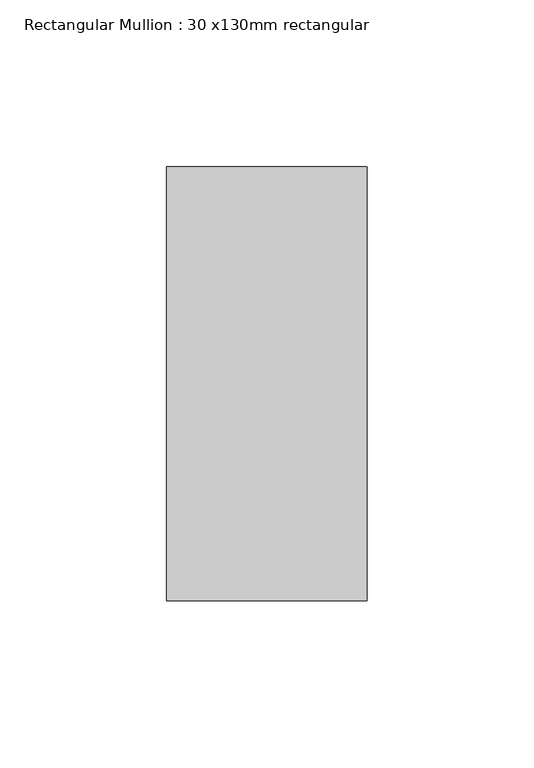
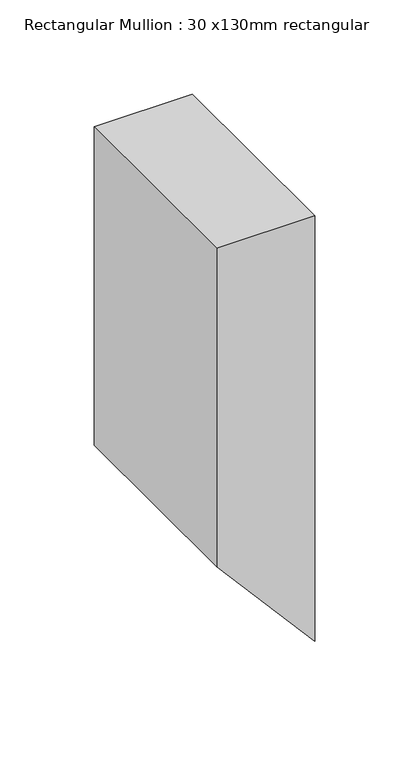
"""IFC4 building model written with IfcOpenShell, lengths in millimetres: member geometry, Rectangular Mullion : 30 x130mm rectangular."""

import ifcopenshell
import ifcopenshell.guid

model = None  # the IFC model being written
_history = None  # IfcOwnerHistory: only IFC2X3 demands one
_inside = {}  # id of a spatial element -> (the spatial element, [elements in it])
_under = {}  # id of a project, library or spatial element -> (it, [spatial elements below it])
_declared = {}  # id of a project -> (the project, [libraries it declares])
_typed = {}  # id of a type object -> (the type object, [elements of that type])
_made_of = {}  # id of a material, layer set ... -> (it, [elements and type objects made of it])


def new_model(schema):
    """Start an empty IFC model of exactly this schema.

    Asked for "IFC4X3", IfcOpenShell would pick the latest addendum, in which some entities
    have other attributes; the version numbers below select the first issue.
    IFC2X3 requires an IfcOwnerHistory on every rooted entity: one is made here for all.
    """
    global model, _history
    if schema == "IFC4X3":
        model = ifcopenshell.file(schema_version=(4, 3, 0, 0))
    else:
        model = ifcopenshell.file(schema=schema)
    _inside.clear()
    _under.clear()
    _declared.clear()
    _typed.clear()
    _made_of.clear()
    _history = None
    if model.schema == "IFC2X3":
        org = make("IfcOrganization", Name="unknown")
        user = make(
            "IfcPersonAndOrganization",
            ThePerson=make("IfcPerson", FamilyName="unknown"),
            TheOrganization=org,
        )
        app = make(
            "IfcApplication",
            ApplicationDeveloper=org,
            Version="unknown",
            ApplicationFullName="unknown",
            ApplicationIdentifier="unknown",
        )
        _history = make(
            "IfcOwnerHistory",
            OwningUser=user,
            OwningApplication=app,
            ChangeAction="ADDED",
            CreationDate=0,
        )
    return model


def make(cls, **values):
    """One entity of the class cls with the attributes given. An attribute that is None is left unset."""
    return model.create_entity(
        cls, **{name: value for name, value in values.items() if value is not None}
    )


def rooted(cls, **values):
    """An entity with a GlobalId (a new one), such as an element, a storey or a relation."""
    return make(cls, GlobalId=ifcopenshell.guid.new(), OwnerHistory=_history, **values)


def si_unit(unit_type, name, prefix=None):
    """IfcSIUnit, for example si_unit("LENGTHUNIT", "METRE", prefix="MILLI")."""
    return make("IfcSIUnit", UnitType=unit_type, Prefix=prefix, Name=name)


def assignment(units):
    """IfcUnitAssignment: the units of a project."""
    return None if units is None else make("IfcUnitAssignment", Units=units)


def point(xyz):
    """IfcCartesianPoint."""
    return None if xyz is None else make("IfcCartesianPoint", Coordinates=xyz)


def direction(xyz):
    """IfcDirection."""
    return None if xyz is None else make("IfcDirection", DirectionRatios=xyz)


def frame(location, z_axis=None, x_axis=None):
    """IfcAxis2Placement3D, a coordinate frame: its origin and axes. An axis left out is left unset."""
    return make(
        "IfcAxis2Placement3D",
        Location=point(location),
        Axis=direction(z_axis),
        RefDirection=direction(x_axis),
    )


def origin():
    """The frame at (0, 0, 0) with its axes left unset."""
    return frame((0.0, 0.0, 0.0))


def place(relative_to, where):
    """IfcLocalPlacement: puts the frame where relative to a parent placement (None: the world)."""
    return make(
        "IfcLocalPlacement", PlacementRelTo=relative_to, RelativePlacement=where
    )


def context(
    kind, dimensions, precision=None, world=None, true_north=None, identifier=None
):
    """IfcGeometricRepresentationContext, for example the 3D "Model" context."""
    return make(
        "IfcGeometricRepresentationContext",
        ContextIdentifier=identifier,
        ContextType=kind,
        CoordinateSpaceDimension=dimensions,
        Precision=precision,
        WorldCoordinateSystem=world,
        TrueNorth=true_north,
    )


def project(units=None, contexts=None):
    """IfcProject with its units and contexts."""
    return rooted(
        "IfcProject",
        Name="project",
        RepresentationContexts=contexts,
        UnitsInContext=assignment(units),
    )


def spatial(cls, under=None, at=None, **own):
    """A site, building, storey or space (cls), placed at a placement, below another one or the project."""
    s = rooted(cls, ObjectPlacement=at, **own)
    if under is not None:
        _under.setdefault(under.id(), (under, []))[1].append(s)
    return s


def polyline(points):
    """IfcPolyline through the points."""
    return make("IfcPolyline", Points=[point(p) for p in points])


def outline(outer, holes=None, kind="AREA"):
    """IfcArbitraryClosedProfileDef: a profile drawn as a closed curve; with holes, ...WithVoids."""
    if holes is None:
        return make("IfcArbitraryClosedProfileDef", ProfileType=kind, OuterCurve=outer)
    return make(
        "IfcArbitraryProfileDefWithVoids",
        ProfileType=kind,
        OuterCurve=outer,
        InnerCurves=holes,
    )


def extrude(swept, where, along, depth):
    """IfcExtrudedAreaSolid: the profile swept, set in the frame where, extruded along a direction by depth."""
    return make(
        "IfcExtrudedAreaSolid",
        SweptArea=swept,
        Position=where,
        ExtrudedDirection=direction(along),
        Depth=depth,
    )


def shape(context_of_items, identifier, shape_type, items):
    """IfcShapeRepresentation: the items that make up one representation, for example the "Body"."""
    return make(
        "IfcShapeRepresentation",
        ContextOfItems=context_of_items,
        RepresentationIdentifier=identifier,
        RepresentationType=shape_type,
        Items=items,
    )


def source(mapping_origin, context_of_items, identifier, shape_type, items):
    """IfcRepresentationMap: a shape defined once, which mapped items show again and again."""
    return make(
        "IfcRepresentationMap",
        MappingOrigin=mapping_origin,
        MappedRepresentation=shape(context_of_items, identifier, shape_type, items),
    )


def transform(
    local_origin,
    x_axis=None,
    y_axis=None,
    z_axis=None,
    scale=None,
    scale2=None,
    scale3=None,
    uniform=True,
):
    """IfcCartesianTransformationOperator3D, or its non-uniform kind. x_axis, y_axis, z_axis: its Axis1, 2, 3."""
    if uniform:
        return make(
            "IfcCartesianTransformationOperator3D",
            Axis1=direction(x_axis),
            Axis2=direction(y_axis),
            LocalOrigin=point(local_origin),
            Scale=scale,
            Axis3=direction(z_axis),
        )
    return make(
        "IfcCartesianTransformationOperator3DnonUniform",
        Axis1=direction(x_axis),
        Axis2=direction(y_axis),
        LocalOrigin=point(local_origin),
        Scale=scale,
        Axis3=direction(z_axis),
        Scale2=scale2,
        Scale3=scale3,
    )


def mapped(mapping_source, mapping_target):
    """IfcMappedItem: shows the shape of a source again, moved by a transform."""
    return make(
        "IfcMappedItem", MappingSource=mapping_source, MappingTarget=mapping_target
    )


def made_of(thing, what):
    """Note that an element or type object is made of a material, layer set ...; save() writes the relation."""
    if what is not None:
        _made_of.setdefault(what.id(), (what, []))[1].append(thing)
    return thing


def element(
    cls,
    number,
    at=None,
    inside=None,
    cuts=None,
    type_object=None,
    material=None,
    context=None,
    identifier="Body",
    shape_type=None,
    held_by="IfcProductDefinitionShape",
    body=None,
    shapes=None,
    **own,
):
    """One element of the class cls, such as IfcWall. Its Tag is "e" and its number.

    at: its placement. inside: the storey or other place that contains it. cuts: it is an
    opening in that element (IfcRelVoidsElement). A single representation is given by context,
    identifier, shape_type and body (its items); several are given by shapes. held_by: the class
    of the entity that holds the representations. save() writes the other relations.
    """
    e = rooted(cls, Tag="e%d" % number, ObjectPlacement=at, **own)
    if body is not None:
        shapes = [shape(context, identifier, shape_type, body)]
    if shapes is not None:
        e.Representation = make(held_by, Representations=shapes)
    if inside is not None:
        _inside.setdefault(inside.id(), (inside, []))[1].append(e)
    if cuts is not None:
        rooted(
            "IfcRelVoidsElement", RelatingBuildingElement=cuts, RelatedOpeningElement=e
        )
    if type_object is not None:
        _typed.setdefault(type_object.id(), (type_object, []))[1].append(e)
    return made_of(e, material)


def aggregate(whole, parts):
    """IfcRelAggregates: a whole, such as a stair, and the parts it consists of."""
    return rooted("IfcRelAggregates", RelatingObject=whole, RelatedObjects=parts)


def save(model, path):
    """Write the relations noted so far, then the file.

    IfcRelAggregates (storeys below a building ...), IfcRelContainedInSpatialStructure (elements
    in a storey), IfcRelDefinesByType, IfcRelAssociatesMaterial and IfcRelDeclares: one each for
    every whole, place, type object, material and project.
    """
    for whole, parts in _under.values():
        aggregate(whole, parts)
    for where, things in _inside.values():
        rooted(
            "IfcRelContainedInSpatialStructure",
            RelatedElements=things,
            RelatingStructure=where,
        )
    for kind, things in _typed.values():
        rooted("IfcRelDefinesByType", RelatedObjects=things, RelatingType=kind)
    for what, things in _made_of.values():
        rooted("IfcRelAssociatesMaterial", RelatedObjects=things, RelatingMaterial=what)
    for by, libraries in _declared.values():
        rooted("IfcRelDeclares", RelatingContext=by, RelatedDefinitions=libraries)
    model.write(path)


def rectangular_mullion_30_x130mm_rectangular_15320de5(model_context):
    return source(origin(), model_context, "Body", "SweptSolid", [
        extrude(outline(polyline([(0.0, 0.0), (0.0, -60.0), (-206.3217072, -60.0), (-275.6037395, 0.0), (0.0, 0.0)])), frame((0.0, -65.0, 0.0), z_axis=(0.0, 1.0, 0.0), x_axis=(0.0, 0.0, 1.0)), (0.0, 0.0, 1.0), 130.0),
    ])


if __name__ == "__main__":
    model = new_model("IFC4")
    model_context = context("Model", 3, world=origin())
    ifc_project = project(units=[si_unit("LENGTHUNIT", "METRE", prefix="MILLI")], contexts=[model_context])
    site = spatial("IfcSite", under=ifc_project)
    building = spatial("IfcBuilding", under=site)
    placement = place(None, origin())
    rectangular_mullion_30_x130mm_rectangular_shape = rectangular_mullion_30_x130mm_rectangular_15320de5(model_context)
    element("IfcMember", 1, ObjectType="Rectangular Mullion : 30 x130mm rectangular", at=placement, inside=building, context=model_context, shape_type="MappedRepresentation", body=[
        mapped(rectangular_mullion_30_x130mm_rectangular_shape, transform((0.0, 0.0, 0.0), x_axis=(1.0, 0.0, 0.0), y_axis=(0.0, 1.0, 0.0), z_axis=(0.0, 0.0, 1.0))),
    ])
    save(model, "model.ifc")
